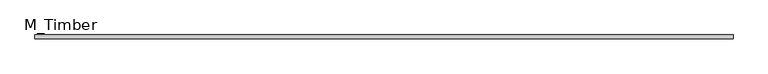
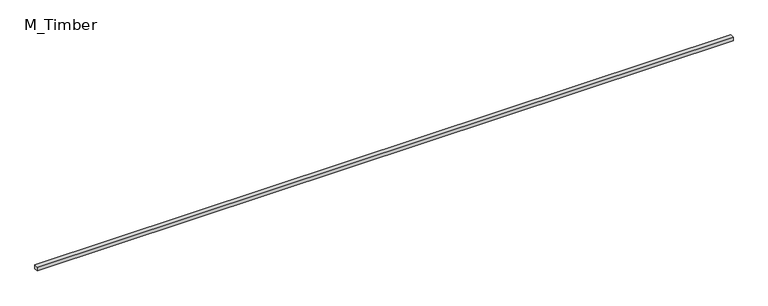
"""IFC4 building model written with IfcOpenShell, lengths in millimetres: beam geometry, M_Timber."""

from ifc_helpers import new_model, si_unit, frame, origin, place, context, project, spatial, polyline, outline, extrude, source, transform, mapped, element, save


def m_timber_d56eacda(model_context):
    return source(origin(), model_context, "Body", "SweptSolid", [
        extrude(outline(polyline([(3493.814089, 20.0), (3493.814089, -20.0), (-3493.814089, -20.0), (-3493.814089, 20.0), (3493.814089, 20.0)])), frame((0.0, 0.0, -20.0), z_axis=(0.0, 0.0, 1.0), x_axis=(1.0, 0.0, 0.0)), (0.0, 0.0, 1.0), 40.0),
    ])


if __name__ == "__main__":
    model = new_model("IFC4")
    model_context = context("Model", 3, world=origin())
    ifc_project = project(units=[si_unit("LENGTHUNIT", "METRE", prefix="MILLI")], contexts=[model_context])
    site = spatial("IfcSite", under=ifc_project)
    building = spatial("IfcBuilding", under=site)
    placement = place(None, origin())
    m_timber_shape = m_timber_d56eacda(model_context)
    element("IfcBeam", 1, ObjectType="M_Timber", at=placement, inside=building, context=model_context, shape_type="MappedRepresentation", body=[
        mapped(m_timber_shape, transform((0.0, 0.0, 0.0), x_axis=(1.0, 0.0, 0.0), y_axis=(0.0, 1.0, 0.0), z_axis=(0.0, 0.0, 1.0))),
    ])
    save(model, "model.ifc")
